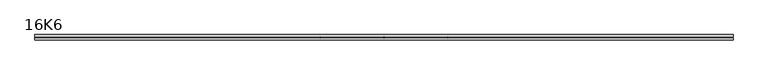
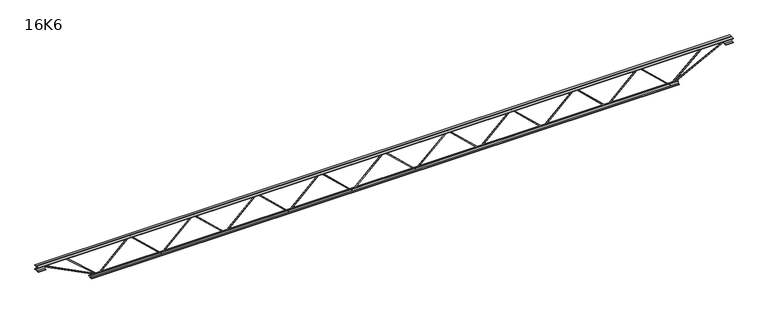
"""IFC4 building model written with IfcOpenShell, lengths in millimetres: beam geometry, 16K6."""

from ifc_helpers import new_model, si_unit, frame, origin, place, context, project, spatial, polyline, outline, extrude, source, transform, mapped, element, save


def beam_16k6_f3d31bcc(model_context):
    return source(origin(), model_context, "Body", "SweptSolid", [
        extrude(outline(polyline([(-191.9, 2108.6111111), (-201.4, 2108.6111111), (-201.4, 2113.6781201), (191.9, 2529.0503424), (191.9, 2531.6163243), (-201.4, 2946.9885465), (-201.4, 2952.0555556), (-191.9, 2952.0555556), (-191.9, 2950.7725646), (201.4, 2535.4003424), (201.4, 2525.2663243), (-191.9, 2109.8941021), (-191.9, 2108.6111111)])), frame((0.0, -4.75, 0.0), z_axis=(0.0, 1.0, 0.0), x_axis=(0.0, 0.0, 1.0)), (0.0, 0.0, 1.0), 9.5),
        extrude(outline(polyline([(-191.9, 1265.1666667), (-201.4, 1265.1666667), (-201.4, 1270.2336757), (191.9, 1685.6058979), (191.9, 1688.1718799), (-201.4, 2103.5441021), (-201.4, 2108.6111111), (-191.9, 2108.6111111), (-191.9, 2107.3281201), (201.4, 1691.9558979), (201.4, 1681.8218799), (-191.9, 1266.4496576), (-191.9, 1265.1666667)])), frame((0.0, -4.75, 0.0), z_axis=(0.0, 1.0, 0.0), x_axis=(0.0, 0.0, 1.0)), (0.0, 0.0, 1.0), 9.5),
        extrude(outline(polyline([(-191.9, 421.7222222), (-201.4, 421.7222222), (-201.4, 426.7892313), (191.9, 842.1614535), (191.9, 844.7274354), (-201.4, 1260.0996576), (-201.4, 1265.1666667), (-191.9, 1265.1666667), (-191.9, 1263.8836757), (201.4, 848.5114535), (201.4, 838.3774354), (-191.9, 423.0052132), (-191.9, 421.7222222)])), frame((0.0, -4.75, 0.0), z_axis=(0.0, 1.0, 0.0), x_axis=(0.0, 0.0, 1.0)), (0.0, 0.0, 1.0), 9.5),
        extrude(outline(polyline([(-191.9, -421.7222222), (-201.4, -421.7222222), (-201.4, -416.6552132), (191.9, -1.282991), (191.9, 1.282991), (-201.4, 416.6552132), (-201.4, 421.7222222), (-191.9, 421.7222222), (-191.9, 420.4392313), (201.4, 5.067009), (201.4, -5.067009), (-191.9, -420.4392313), (-191.9, -421.7222222)])), frame((0.0, -4.75, 0.0), z_axis=(0.0, 1.0, 0.0), x_axis=(0.0, 0.0, 1.0)), (0.0, 0.0, 1.0), 9.5),
        extrude(outline(polyline([(-191.9, -1265.1666667), (-201.4, -1265.1666667), (-201.4, -1260.0996576), (191.9, -844.7274354), (191.9, -842.1614535), (-201.4, -426.7892313), (-201.4, -421.7222222), (-191.9, -421.7222222), (-191.9, -423.0052132), (201.4, -838.3774354), (201.4, -848.5114535), (-191.9, -1263.8836757), (-191.9, -1265.1666667)])), frame((0.0, -4.75, 0.0), z_axis=(0.0, 1.0, 0.0), x_axis=(0.0, 0.0, 1.0)), (0.0, 0.0, 1.0), 9.5),
        extrude(outline(polyline([(-191.9, -2108.6111111), (-201.4, -2108.6111111), (-201.4, -2103.5441021), (191.9, -1688.1718799), (191.9, -1685.6058979), (-201.4, -1270.2336757), (-201.4, -1265.1666667), (-191.9, -1265.1666667), (-191.9, -1266.4496576), (201.4, -1681.8218799), (201.4, -1691.9558979), (-191.9, -2107.3281201), (-191.9, -2108.6111111)])), frame((0.0, -4.75, 0.0), z_axis=(0.0, 1.0, 0.0), x_axis=(0.0, 0.0, 1.0)), (0.0, 0.0, 1.0), 9.5),
        extrude(outline(polyline([(-191.9, -2952.0555556), (-201.4, -2952.0555556), (-201.4, -2946.9885465), (191.9, -2531.6163243), (191.9, -2529.0503424), (-201.4, -2113.6781201), (-201.4, -2108.6111111), (-191.9, -2108.6111111), (-191.9, -2109.8941021), (201.4, -2525.2663243), (201.4, -2535.4003424), (-191.9, -2950.7725646), (-191.9, -2952.0555556)])), frame((0.0, -4.75, 0.0), z_axis=(0.0, 1.0, 0.0), x_axis=(0.0, 0.0, 1.0)), (0.0, 0.0, 1.0), 9.5),
        extrude(outline(polyline([(-191.9, 2952.0555556), (-201.4, 2952.0555556), (-201.4, 2957.1225646), (191.9, 3372.4947868), (191.9, 3375.0607687), (-201.4, 3790.432991), (-201.4, 3795.5), (-191.9, 3795.5), (-191.9, 3794.217009), (201.4, 3378.8447868), (201.4, 3368.7107687), (-191.9, 2953.3385465), (-191.9, 2952.0555556)])), frame((0.0, -4.75, 0.0), z_axis=(0.0, 1.0, 0.0), x_axis=(0.0, 0.0, 1.0)), (0.0, 0.0, 1.0), 9.5),
        extrude(outline(polyline([(-191.9, -3795.5), (-201.4, -3795.5), (-201.4, -3790.432991), (191.9, -3375.0607687), (191.9, -3372.4947868), (-201.4, -2957.1225646), (-201.4, -2952.0555556), (-191.9, -2952.0555556), (-191.9, -2953.3385465), (201.4, -3368.7107687), (201.4, -3378.8447868), (-191.9, -3794.217009), (-191.9, -3795.5)])), frame((0.0, -4.75, 0.0), z_axis=(0.0, 1.0, 0.0), x_axis=(0.0, 0.0, 1.0)), (0.0, 0.0, 1.0), 9.5),
        extrude(outline(polyline([(4.75, 203.0), (36.75, 203.0), (36.75, 196.5), (11.25, 196.5), (11.25, 171.0), (4.75, 171.0), (4.75, 203.0)])), frame((-4607.5, 0.0, 0.0), z_axis=(1.0, 0.0, 0.0), x_axis=(0.0, 1.0, 0.0)), (0.0, 0.0, 1.0), 9215.0),
        extrude(outline(polyline([(-4.75, 203.0), (-4.75, 171.0), (-11.25, 171.0), (-11.25, 196.5), (-36.75, 196.5), (-36.75, 203.0), (-4.75, 203.0)])), frame((-4607.5, 0.0, 0.0), z_axis=(1.0, 0.0, 0.0), x_axis=(0.0, 1.0, 0.0)), (0.0, 0.0, 1.0), 9215.0),
        extrude(outline(polyline([(-4.75, 139.5), (-36.75, 139.5), (-36.75, 146.0), (-11.25, 146.0), (-11.25, 171.0), (-4.75, 171.0), (-4.75, 139.5)])), frame((-4607.5, 0.0, 0.0), z_axis=(1.0, 0.0, 0.0), x_axis=(0.0, 1.0, 0.0)), (0.0, 0.0, 1.0), 100.0),
        extrude(outline(polyline([(36.75, 139.5), (4.75, 139.5), (4.75, 171.0), (11.25, 171.0), (11.25, 146.0), (36.75, 146.0), (36.75, 139.5)])), frame((-4607.5, 0.0, 0.0), z_axis=(1.0, 0.0, 0.0), x_axis=(0.0, 1.0, 0.0)), (0.0, 0.0, 1.0), 100.0),
        extrude(outline(polyline([(4.75, 139.5), (4.75, 171.0), (11.25, 171.0), (11.25, 146.0), (36.75, 146.0), (36.75, 139.5), (4.75, 139.5)])), frame((4507.5, 0.0, 0.0), z_axis=(1.0, 0.0, 0.0), x_axis=(0.0, 1.0, 0.0)), (0.0, 0.0, 1.0), 100.0),
        extrude(outline(polyline([(-4.75, 139.5), (-36.75, 139.5), (-36.75, 146.0), (-11.25, 146.0), (-11.25, 171.0), (-4.75, 171.0), (-4.75, 139.5)])), frame((4507.5, 0.0, 0.0), z_axis=(1.0, 0.0, 0.0), x_axis=(0.0, 1.0, 0.0)), (0.0, 0.0, 1.0), 100.0),
        extrude(outline(polyline([(4.75, -203.0), (4.75, -171.0), (11.25, -171.0), (11.25, -196.5), (36.75, -196.5), (36.75, -203.0), (4.75, -203.0)])), frame((-3895.5, 0.0, 0.0), z_axis=(1.0, 0.0, 0.0), x_axis=(0.0, 1.0, 0.0)), (0.0, 0.0, 1.0), 7791.0),
        extrude(outline(polyline([(-4.75, -203.0), (-36.75, -203.0), (-36.75, -196.5), (-11.25, -196.5), (-11.25, -171.0), (-4.75, -171.0), (-4.75, -203.0)])), frame((-3895.5, 0.0, 0.0), z_axis=(1.0, 0.0, 0.0), x_axis=(0.0, 1.0, 0.0)), (0.0, 0.0, 1.0), 7791.0),
        extrude(outline(polyline([(-200.8705467, -3797.6793315), (-192.4294533, -3793.3206685), (175.75, -4506.3460208), (175.75, -4607.5), (166.25, -4607.5), (166.25, -4508.6539792), (-200.8705467, -3797.6793315)])), frame((0.0, -4.75, 0.0), z_axis=(0.0, 1.0, 0.0), x_axis=(0.0, 0.0, 1.0)), (0.0, 0.0, 1.0), 9.5),
        extrude(outline(polyline([(188.7, -4237.1793651), (179.2, -4237.1793651), (179.2, -4226.2827793), (-200.2031334, -3798.6524187), (-193.0968666, -3792.3475813), (188.7, -4222.6759509), (188.7, -4237.1793651)])), frame((0.0, -4.75, 0.0), z_axis=(0.0, 1.0, 0.0), x_axis=(0.0, 0.0, 1.0)), (0.0, 0.0, 1.0), 9.5),
        extrude(outline(polyline([(0.0, -9.5), (0.0, 0.0), (801.3179909, 0.0), (801.3179909, -9.5), (0.0, -9.5)])), frame((4509.6793315, -4.75, 166.7794533), z_axis=(-0.45880662132449607, 0.0, 0.8885361468329809), x_axis=(-0.8885361468329809, 0.0, -0.45880662132449607)), (0.0, 0.0, 1.0), 9.5),
        extrude(outline(polyline([(0.0, -9.5), (0.0, 0.0), (587.3560938, 0.0), (587.3560938, -9.5), (0.0, -9.5)])), frame((4234.9171594, -4.75, 193.1221173), z_axis=(-0.6696108275544873, 0.0, 0.7427121512549762), x_axis=(-0.7427121512549762, 0.0, -0.6696108275544873)), (0.0, 0.0, 1.0), 9.5),
    ])


if __name__ == "__main__":
    model = new_model("IFC4")
    model_context = context("Model", 3, world=origin())
    ifc_project = project(units=[si_unit("LENGTHUNIT", "METRE", prefix="MILLI")], contexts=[model_context])
    site = spatial("IfcSite", under=ifc_project)
    building = spatial("IfcBuilding", under=site)
    placement = place(None, origin())
    beam_16k6_shape = beam_16k6_f3d31bcc(model_context)
    element("IfcBeam", 1, ObjectType="16K6", at=placement, inside=building, context=model_context, shape_type="MappedRepresentation", body=[
        mapped(beam_16k6_shape, transform((0.0, 0.0, 0.0), x_axis=(1.0, 0.0, 0.0), y_axis=(0.0, 1.0, 0.0), z_axis=(0.0, 0.0, 1.0))),
    ])
    save(model, "model.ifc")
